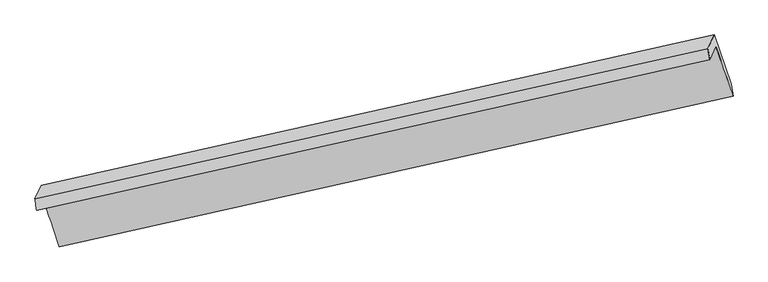
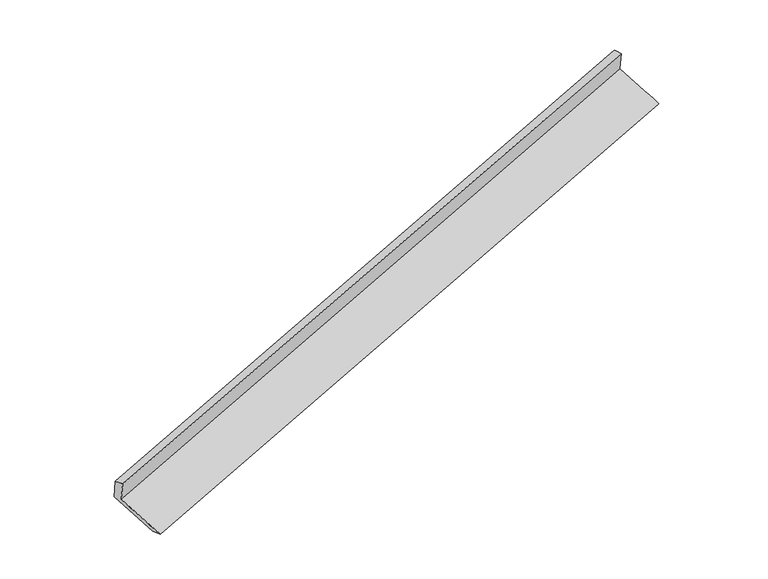
"""IFC4 building model written with IfcOpenShell, lengths in millimetres: proxy geometry."""

from ifc_helpers import new_model, si_unit, frame, origin, place, context, project, spatial, source, transform, mapped, element, save
from ifc_brep_helpers import plane_surface, spline_surface, advanced_brep


def generic_models_84a0fe7b(model_context):
    return source(origin(), model_context, "Body", "AdvancedBrep", [
        advanced_brep(
        [(-7558.673811, -2506.5211986, 885.1563805), (-7476.6989729, -2326.4709901, 488.2506326), (1678.7905974, -273.2477829, 3312.5750929), (1596.8157593, -453.2979913, 3709.4808409), (-7580.9516554, -2347.9820982, 843.2377794), (1570.2014392, -303.0223044, 3685.2647675), (-7497.9995014, -2165.7853051, 441.6000635), (1655.0020495, -116.7655468, 3274.677197), (-7270.5311054, -2835.7831606, 184.64594), (1886.0759748, -785.9545096, 3018.8346823), (-7246.6985849, -3003.9267132, 228.436306), (1912.4366485, -949.8856094, 3053.8847489)],
        [
            (0, 1),
            (1, 2),
            (2, 3),
            (3, 0),
            (4, 0),
            (3, 5),
            (5, 4),
            (6, 4),
            (5, 7),
            (7, 6),
            (8, 6),
            (7, 9),
            (9, 8),
            (10, 8),
            (9, 11),
            (11, 10),
            (1, 10),
            (11, 2),
        ],
        [
            plane_surface(frame((-7517.6863919, -2416.4960944, 686.7035065), z_axis=(0.30455622554940837, -0.8895107310069938, -0.34061145738583365), x_axis=(0.18484561955106962, 0.4059964386670931, -0.8949854684420405))),
            spline_surface(1, 1, [[(-7580.9516554, -2347.9820982, 843.2377794), (1570.2014392, -303.0223044, 3685.2647675)], [(-7558.673811, -2506.5211986, 885.1563805), (1596.8157593, -453.2979913, 3709.4808409)]], [2, 2], [2, 2], [0.0, 1.0], [0.0, 1.0]),
            plane_surface(frame((-7539.4755784, -2256.8837017, 642.4189215), z_axis=(-0.3045562245498876, 0.8895107312312066, 0.3406114576940164), x_axis=(-0.18484561955094683, -0.40599643866709667, 0.8949854684420643))),
            spline_surface(1, 1, [[(-7270.5311054, -2835.7831606, 184.64594), (1886.0759748, -785.9545096, 3018.8346823)], [(-7497.9995014, -2165.7853051, 441.6000635), (1655.0020495, -116.7655468, 3274.677197)]], [2, 2], [2, 2], [0.0, 1.0], [0.0, 1.0]),
            spline_surface(1, 1, [[(-7246.6985849, -3003.9267132, 228.436306), (1912.4366485, -949.8856094, 3053.8847489)], [(-7270.5311054, -2835.7831606, 184.64594), (1886.0759748, -785.9545096, 3018.8346823)]], [2, 2], [2, 2], [0.0, 1.0], [0.0, 1.0]),
            spline_surface(1, 1, [[(-7476.6989729, -2326.4709901, 488.2506326), (1678.7905974, -273.2477829, 3312.5750929)], [(-7246.6985849, -3003.9267132, 228.436306), (1912.4366485, -949.8856094, 3053.8847489)]], [2, 2], [2, 2], [0.0, 1.0], [0.0, 1.0]),
            plane_surface(frame((1716.5537448, -480.3622907, 3342.4528883), z_axis=(0.9335978642434, 0.2119056170726024, 0.2889481568261714), x_axis=(-0.3069643705920753, 0.8889673229330272, 0.33986758295591835))),
            plane_surface(frame((-7438.5922718, -2531.0782443, 511.8878503), z_axis=(-0.9351591042928329, -0.20734596794693033, -0.287202192252039), x_axis=(-0.1848456195510609, -0.405996438667134, 0.8949854684420238))),
        ],
        [
            (0, [[1, 2, 3, 4]]),
            (1, [[5, -4, 6, 7]]),
            (2, [[8, -7, 9, 10]]),
            (3, [[11, -10, 12, 13]]),
            (4, [[14, -13, 15, 16]]),
            (5, [[17, -16, 18, -2]]),
            (6, [[-12, -9, -6, -3, -18, -15]]),
            (7, [[-1, -5, -8, -11, -14, -17]]),
        ],
    ),
    ])


if __name__ == "__main__":
    model = new_model("IFC4")
    model_context = context("Model", 3, world=origin())
    ifc_project = project(units=[si_unit("LENGTHUNIT", "METRE", prefix="MILLI")], contexts=[model_context])
    site = spatial("IfcSite", under=ifc_project)
    building = spatial("IfcBuilding", under=site)
    placement = place(None, origin())
    generic_models_shape = generic_models_84a0fe7b(model_context)
    element("IfcBuildingElementProxy", 1, Name="Generic Models", at=placement, inside=building, context=model_context, shape_type="MappedRepresentation", body=[
        mapped(generic_models_shape, transform((0.0, 0.0, 0.0), x_axis=(1.0, 0.0, 0.0), y_axis=(0.0, 1.0, 0.0), z_axis=(0.0, 0.0, 1.0))),
    ])
    save(model, "model.ifc")
